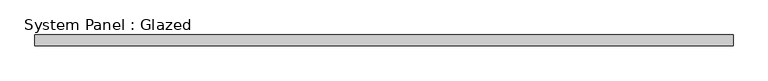
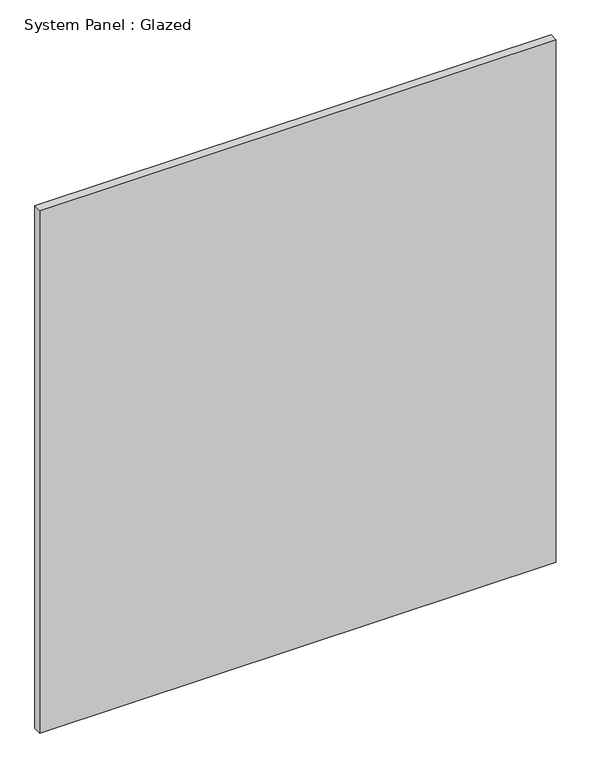
"""IFC4 building model written with IfcOpenShell, lengths in millimetres: plate geometry, System Panel : Glazed."""

from ifc_helpers import new_model, si_unit, origin, origin_with_axes, place, context, project, spatial, polyline, outline, extrude, source, transform, mapped, element, save


def system_panel_glazed_3a8cbaca(model_context):
    return source(origin(), model_context, "Body", "SweptSolid", [
        extrude(outline(polyline([(796.6455623, 24.5), (-796.6455623, 24.5), (-796.6455623, 49.5), (796.6455623, 49.5), (796.6455623, 24.5)])), origin_with_axes(), (0.0, 0.0, 1.0), 1705.0),
    ])


if __name__ == "__main__":
    model = new_model("IFC4")
    model_context = context("Model", 3, world=origin())
    ifc_project = project(units=[si_unit("LENGTHUNIT", "METRE", prefix="MILLI")], contexts=[model_context])
    site = spatial("IfcSite", under=ifc_project)
    building = spatial("IfcBuilding", under=site)
    placement = place(None, origin())
    system_panel_glazed_shape = system_panel_glazed_3a8cbaca(model_context)
    element("IfcPlate", 1, ObjectType="System Panel : Glazed", at=placement, inside=building, context=model_context, shape_type="MappedRepresentation", body=[
        mapped(system_panel_glazed_shape, transform((0.0, 0.0, 0.0), x_axis=(1.0, 0.0, 0.0), y_axis=(0.0, 1.0, 0.0), z_axis=(0.0, 0.0, 1.0))),
    ])
    save(model, "model.ifc")
